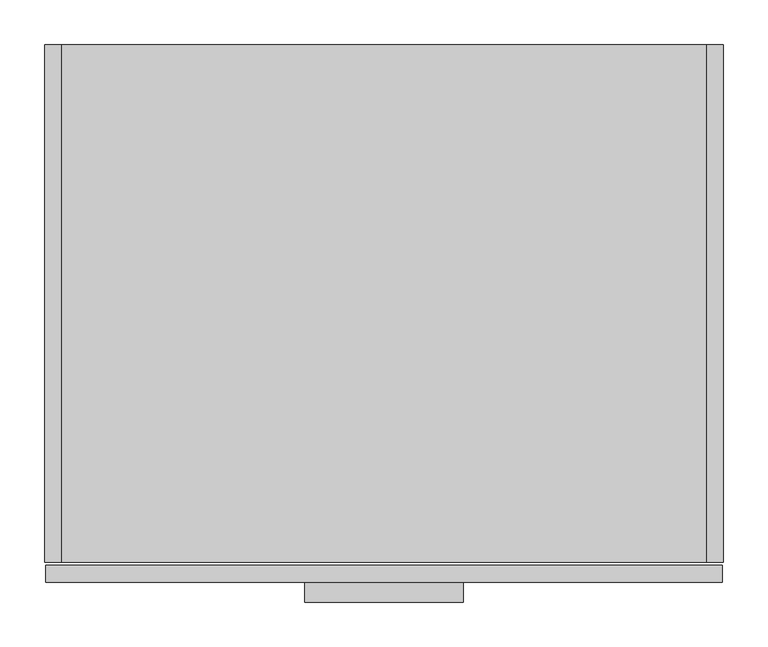
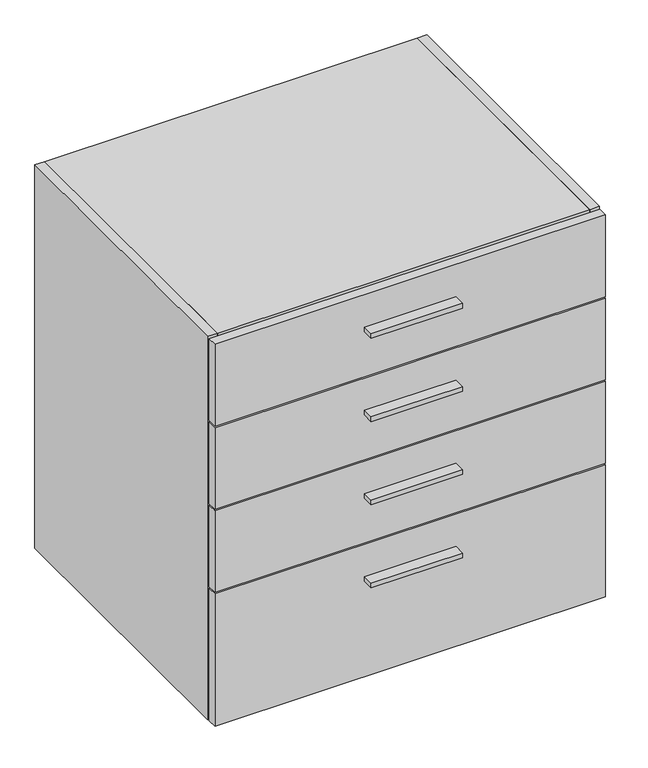
"""IFC4 building model written with IfcOpenShell, lengths in millimetres: furniture geometry."""

from ifc_helpers import new_model, si_unit, frame, origin, place, context, project, spatial, polyline, outline, extrude, source, transform, mapped, element, save


def furniture_dd4587c9(model_context):
    return source(origin(), model_context, "Body", "SweptSolid", [
        extrude(outline(polyline([(469.9, -625.729), (292.1, -625.729), (292.1, -603.504), (469.9, -603.504), (469.9, -625.729)])), frame((0.0, 0.0, 297.3451), z_axis=(0.0, 0.0, 1.0), x_axis=(1.0, 0.0, 0.0)), (0.0, 0.0, 1.0), 9.525),
        extrude(outline(polyline([(469.9, -625.729), (292.1, -625.729), (292.1, -603.504), (469.9, -603.504), (469.9, -625.729)])), frame((0.0, 0.0, 809.9425), z_axis=(0.0, 0.0, 1.0), x_axis=(1.0, 0.0, 0.0)), (0.0, 0.0, 1.0), 9.525),
        extrude(outline(polyline([(469.9, -625.729), (292.1, -625.729), (292.1, -603.504), (469.9, -603.504), (469.9, -625.729)])), frame((0.0, 0.0, 639.0767), z_axis=(0.0, 0.0, 1.0), x_axis=(1.0, 0.0, 0.0)), (0.0, 0.0, 1.0), 9.525),
        extrude(outline(polyline([(469.9, -625.729), (292.1, -625.729), (292.1, -603.504), (469.9, -603.504), (469.9, -625.729)])), frame((0.0, 0.0, 468.2109), z_axis=(0.0, 0.0, 1.0), x_axis=(1.0, 0.0, 0.0)), (0.0, 0.0, 1.0), 9.525),
        extrude(outline(polyline([(742.696, 0.0), (742.696, -19.304), (19.304, -19.304), (19.304, 0.0), (742.696, 0.0)])), frame((0.0, 0.0, 101.6), z_axis=(0.0, 0.0, 1.0), x_axis=(1.0, 0.0, 0.0)), (0.0, 0.0, 1.0), 768.096),
        extrude(outline(polyline([(742.696, -581.025), (19.304, -581.025), (19.304, -19.304), (742.696, -19.304), (742.696, -581.025)])), frame((0.0, 0.0, 101.6), z_axis=(0.0, 0.0, 1.0), x_axis=(1.0, 0.0, 0.0)), (0.0, 0.0, 1.0), 19.304),
        extrude(outline(polyline([(742.696, -581.025), (19.304, -581.025), (19.304, 0.0), (742.696, 0.0), (742.696, -581.025)])), frame((0.0, 0.0, 869.696), z_axis=(0.0, 0.0, 1.0), x_axis=(1.0, 0.0, 0.0)), (0.0, 0.0, 1.0), 19.304),
        extrude(outline(polyline([(19.304, 0.0), (19.304, -581.025), (0.0, -581.025), (0.0, 0.0), (19.304, 0.0)])), frame((0.0, 0.0, 101.6), z_axis=(0.0, 0.0, 1.0), x_axis=(1.0, 0.0, 0.0)), (0.0, 0.0, 1.0), 787.4),
        extrude(outline(polyline([(742.696, 0.0), (762.0, 0.0), (762.0, -581.025), (742.696, -581.025), (742.696, 0.0)])), frame((0.0, 0.0, 101.6), z_axis=(0.0, 0.0, 1.0), x_axis=(1.0, 0.0, 0.0)), (0.0, 0.0, 1.0), 787.4),
        extrude(outline(polyline([(760.4125, -603.504), (1.5875, -603.504), (1.5875, -584.2), (760.4125, -584.2), (760.4125, -603.504)])), frame((0.0, 0.0, 718.1342), z_axis=(0.0, 0.0, 1.0), x_axis=(1.0, 0.0, 0.0)), (0.0, 0.0, 1.0), 167.6908),
        extrude(outline(polyline([(760.4125, -603.504), (1.5875, -603.504), (1.5875, -584.2), (760.4125, -584.2), (760.4125, -603.504)])), frame((0.0, 0.0, 547.2684), z_axis=(0.0, 0.0, 1.0), x_axis=(1.0, 0.0, 0.0)), (0.0, 0.0, 1.0), 167.6908),
        extrude(outline(polyline([(760.4125, -603.504), (1.5875, -603.504), (1.5875, -584.2), (760.4125, -584.2), (760.4125, -603.504)])), frame((0.0, 0.0, 376.4026), z_axis=(0.0, 0.0, 1.0), x_axis=(1.0, 0.0, 0.0)), (0.0, 0.0, 1.0), 167.6908),
        extrude(outline(polyline([(760.4125, -603.504), (1.5875, -603.504), (1.5875, -584.2), (760.4125, -584.2), (760.4125, -603.504)])), frame((0.0, 0.0, 101.6), z_axis=(0.0, 0.0, 1.0), x_axis=(1.0, 0.0, 0.0)), (0.0, 0.0, 1.0), 271.6276),
    ])


if __name__ == "__main__":
    model = new_model("IFC4")
    model_context = context("Model", 3, world=origin())
    ifc_project = project(units=[si_unit("LENGTHUNIT", "METRE", prefix="MILLI")], contexts=[model_context])
    site = spatial("IfcSite", under=ifc_project)
    building = spatial("IfcBuilding", under=site)
    placement = place(None, origin())
    furniture_shape = furniture_dd4587c9(model_context)
    element("IfcFurniture", 1, at=placement, inside=building, context=model_context, shape_type="MappedRepresentation", body=[
        mapped(furniture_shape, transform((0.0, 0.0, 0.0), x_axis=(1.0, 0.0, 0.0), y_axis=(0.0, 1.0, 0.0), z_axis=(0.0, 0.0, 1.0))),
    ])
    save(model, "model.ifc")
